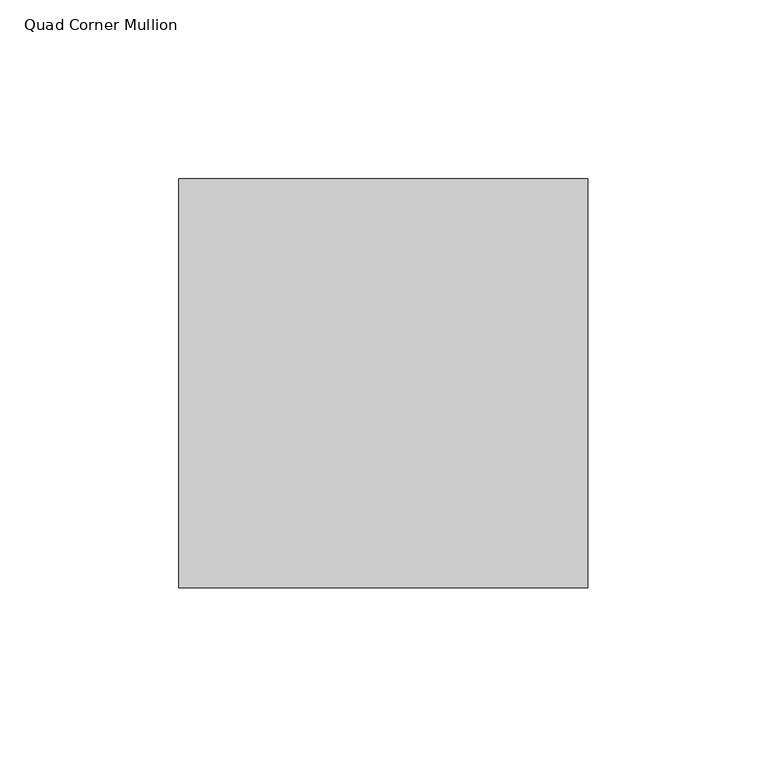
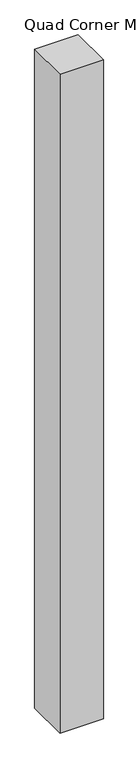
"""IFC4 building model written with IfcOpenShell, lengths in millimetres: member geometry, Quad Corner Mullion."""

from ifc_helpers import new_model, si_unit, frame, origin, place, context, project, spatial, polyline, outline, extrude, source, transform, mapped, element, save


def quad_corner_mullion_361adb77(model_context):
    return source(origin(), model_context, "Body", "SweptSolid", [
        extrude(outline(polyline([(57.15, 57.15), (57.15, -57.15), (-57.15, -57.15), (-57.15, 57.15), (57.15, 57.15)])), frame((0.0, 0.0, -1828.8), z_axis=(0.0, 0.0, 1.0), x_axis=(1.0, 0.0, 0.0)), (0.0, 0.0, 1.0), 1828.8),
    ])


if __name__ == "__main__":
    model = new_model("IFC4")
    model_context = context("Model", 3, world=origin())
    ifc_project = project(units=[si_unit("LENGTHUNIT", "METRE", prefix="MILLI")], contexts=[model_context])
    site = spatial("IfcSite", under=ifc_project)
    building = spatial("IfcBuilding", under=site)
    placement = place(None, origin())
    quad_corner_mullion_shape = quad_corner_mullion_361adb77(model_context)
    element("IfcMember", 1, ObjectType="Quad Corner Mullion", at=placement, inside=building, context=model_context, shape_type="MappedRepresentation", body=[
        mapped(quad_corner_mullion_shape, transform((0.0, 0.0, 0.0), x_axis=(1.0, 0.0, 0.0), y_axis=(0.0, 1.0, 0.0), z_axis=(0.0, 0.0, 1.0))),
    ])
    save(model, "model.ifc")
